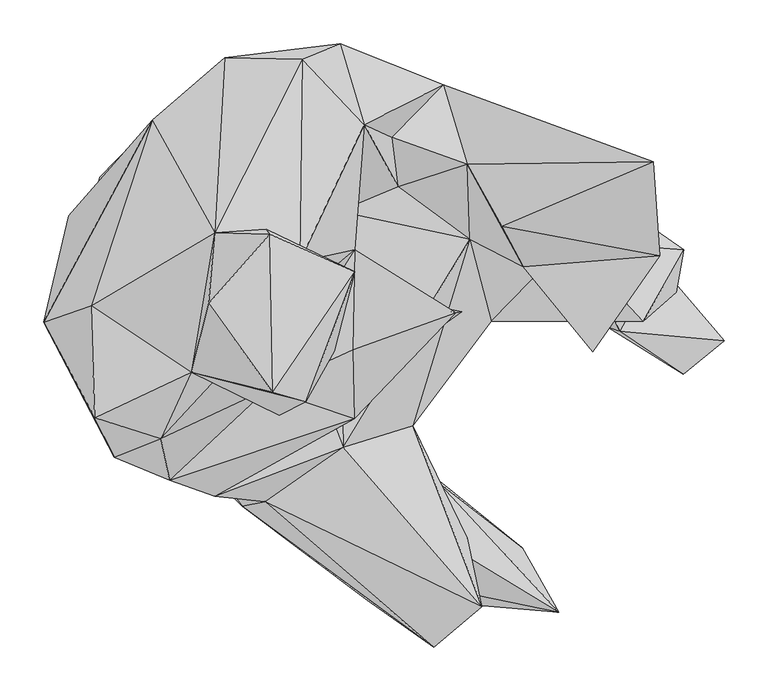
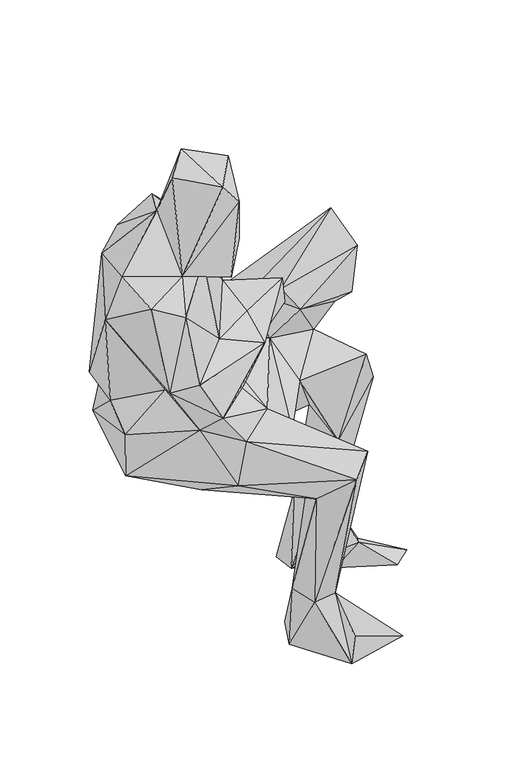
"""IFC4 building model written with IfcOpenShell, lengths in millimetres: geographic element geometry."""

from ifc_helpers import new_model, si_unit, origin, place, context, project, spatial, faceted_brep, source, transform, mapped, element, save


def geographic_element_49b83b26(model_context):
    return source(origin(), model_context, "Body", "Brep", [
        faceted_brep([(-250.9079843, 142.1969962, 545.6229977), (-275.5689885, -49.0569988, 488.5359942), (-277.956989, -52.3529978, 604.1729972), (-144.0049988, -156.8969916, 633.3289664), (-134.3599988, 55.9820004, 444.1240077), (-118.6309964, -119.4419995, 437.1710068), (-165.094001, 210.2839921, 478.4649849), (-87.7209965, -233.7729902, 507.2060165), (-170.986993, 223.9640029, 621.3309688), (-281.5679873, 10.8749996, 663.3480109), (-21.3949994, 255.6869952, 526.6709859), (66.8900005, 69.383002, 414.8420044), (-35.7870008, 229.4059963, 466.7479934), (-285.9579885, 98.667002, 690.8019696), (-190.6269914, 207.4279909, 919.5099955), (-95.843001, 235.8060003, 746.7369941), (24.8000004, 215.4120031, 592.2889636), (190.8780015, 168.7670031, 509.8490056), (261.9229821, 47.8640007, 438.2210022), (53.5369993, -19.3300003, 472.1099974), (81.0689991, -248.6859976, 431.9689816), (107.070996, -141.3699967, 540.4779844), (196.5339905, -22.3219988, 569.5779849), (54.7929995, -341.0319942, 485.9830081), (65.9219987, -214.1659978, 157.3699991), (83.878002, -283.6239899, 154.6049993), (130.8709963, -394.4909822, 543.9209871), (-61.7359981, -228.4529926, 616.8219967), (186.0039956, -348.3319836, 576.5479732), (142.988993, -275.0610079, 154.8130046), (53.2209978, -222.6109924, 11.7269995), (147.2319942, -343.4529858, -1.3239999), (79.185999, -157.1580003, 25.2669991), (162.9369984, -331.9399912, 62.116), (232.4389936, -280.9889878, 4.1399998), (273.7579908, -354.5750038, 37.7620007), (137.2029913, -206.9279973, 124.5399996), (169.1440025, -269.9640062, 478.419), (27.7629994, -166.1259958, 637.8689926), (171.9769963, 71.8059978, 638.78601), (-119.0529973, -221.9649973, 697.9510102), (1.192, -98.2640001, 663.9419712), (22.5329992, 103.5320001, 688.3309995), (-234.1819973, -177.33, 779.5910143), (-170.7590052, -203.6479984, 796.5149781), (39.9570013, -133.456005, 796.6579696), (-193.209005, -85.8900015, 719.7739989), (-314.6460017, -23.4409996, 917.9720169), (-256.1069993, -132.4730052, 993.2919618), (-260.3979973, -4.1939998, 1007.312047), (-119.3829984, 79.1930025, 1090.1839598), (-107.7470021, 279.1089977, 925.6219749), (-145.9719968, -80.6879987, 1014.9979466), (-180.6630023, -156.5389912, 958.3510042), (-59.5999986, -99.8999986, 823.37897), (-56.9339984, -22.6589997, 990.871), (40.7520006, 59.3379989, 853.3539667), (38.3410002, -54.8290007, 838.2549778), (17.5810007, -56.5650009, 1048.249947), (-22.035999, 45.8259987, 1019.6230286), (-45.4789991, -129.3510034, 1005.8489914), (40.8489997, 34.4269979, 1213.4289592), (-14.9589999, -114.1910017, 1195.2769609), (-52.8949977, -103.3520015, 1241.9109191), (-60.3099979, 82.7760016, 1105.733977), (-56.5260008, 77.3069998, 1240.6890239), (-126.1979922, -1.725, 1233.0900278), (-19.107999, 277.5270011, 981.2999842), (24.2110004, 294.9160003, 709.5760019), (51.8649996, 202.4749939, 931.0229902), (90.2239967, 131.7999943, 675.4130042), (142.0010013, 248.2899993, 682.9500114), (83.2779993, 187.9139966, 723.7650067), (253.5519867, 146.455003, 639.6009843), (326.4780004, 122.2039968, 524.0870053), (295.3709923, 113.2279993, 344.0090077), (230.4329993, 62.6789994, 201.0659998), (310.1800046, 0.4, 349.4619982), (416.9749864, 59.4099976, 503.6230025), (285.995003, 69.4809994, 625.8519811), (288.7949908, 82.9500024, 125.0729992), (204.6200012, 98.343997, 6.312), (197.4379992, 18.9639998, 25.5369988), (386.3950026, 45.1579982, 25.5709995), (317.5629934, 22.7860005, 150.6150048), (370.3849866, -21.87, 582.2679925), (408.3090076, 11.307, 485.8680009), (343.5119944, -33.5879992, 77.538996), (296.8400084, -8.4680001, 7.747), (463.039005, -44.3780007, 22.376999), (415.969009, -82.558996, 20.3469989), (330.4389972, 52.2209995, 698.1499705), (233.0699981, 40.1839981, 717.6790149), (169.2170033, 157.0660005, 718.5699851), (382.0700002, 159.9860023, 873.3389866), (208.6809997, 86.7070023, 753.5979655), (281.4840044, 151.8449914, 777.4439954), (389.4279849, 52.7009995, 831.7530052), (312.8969929, -56.7109988, 796.4550158), (32.7519994, 15.1690001, 762.9560138), (156.1969946, -12.2929996, 863.6399997), (163.2209996, -11.1689995, 793.3599851), (70.3959978, -77.719002, 781.5589808)], [[[0, 1, 2]], [[2, 1, 3]], [[4, 5, 1]], [[4, 1, 6]], [[1, 0, 6]], [[3, 1, 7]], [[5, 7, 1]], [[8, 0, 9]], [[9, 0, 2]], [[0, 8, 6]], [[8, 10, 6]], [[4, 6, 11]], [[6, 12, 11]], [[6, 10, 12]], [[13, 8, 9]], [[14, 8, 13]], [[14, 15, 8]], [[15, 10, 8]], [[15, 16, 10]], [[10, 17, 12]], [[16, 17, 10]], [[18, 12, 17]], [[18, 11, 12]], [[19, 11, 18]], [[19, 4, 11]], [[20, 19, 21]], [[21, 19, 22]], [[19, 20, 4]], [[22, 19, 18]], [[4, 20, 5]], [[23, 5, 20]], [[5, 23, 7]], [[23, 24, 25]], [[20, 24, 23]], [[7, 23, 26]], [[26, 23, 25]], [[26, 27, 7]], [[27, 3, 7]], [[26, 28, 27]], [[28, 26, 29]], [[29, 26, 25]], [[25, 30, 31]], [[25, 31, 29]], [[25, 24, 30]], [[24, 32, 30]], [[30, 32, 31]], [[29, 31, 33]], [[31, 32, 34]], [[35, 33, 31]], [[35, 31, 34]], [[36, 32, 24]], [[36, 34, 32]], [[36, 35, 34]], [[35, 29, 33]], [[36, 29, 35]], [[20, 36, 24]], [[20, 37, 36]], [[37, 29, 36]], [[21, 37, 20]], [[28, 29, 37]], [[21, 28, 37]], [[38, 21, 39]], [[21, 38, 28]], [[39, 21, 22]], [[38, 27, 28]], [[40, 38, 41]], [[38, 40, 27]], [[41, 38, 42]], [[42, 38, 39]], [[3, 27, 40]], [[40, 43, 3]], [[44, 43, 40]], [[44, 40, 45]], [[45, 40, 41]], [[43, 46, 3]], [[46, 2, 3]], [[46, 47, 9]], [[46, 9, 2]], [[43, 47, 46]], [[47, 14, 13]], [[47, 13, 9]], [[48, 47, 43]], [[47, 49, 14]], [[48, 49, 47]], [[49, 50, 14]], [[51, 15, 14]], [[50, 51, 14]], [[52, 49, 48]], [[52, 50, 49]], [[48, 43, 53]], [[48, 53, 52]], [[53, 43, 44]], [[53, 44, 54]], [[53, 54, 55]], [[52, 53, 55]], [[45, 54, 44]], [[56, 54, 57]], [[45, 57, 54]], [[55, 54, 56]], [[58, 55, 59]], [[60, 55, 58]], [[55, 60, 52]], [[59, 55, 56]], [[61, 62, 58]], [[61, 58, 59]], [[58, 62, 60]], [[62, 52, 60]], [[62, 63, 52]], [[63, 62, 61]], [[61, 59, 64]], [[63, 61, 65]], [[65, 61, 64]], [[66, 52, 63]], [[63, 65, 66]], [[66, 50, 52]], [[66, 65, 50]], [[65, 64, 50]], [[64, 59, 50]], [[67, 51, 50]], [[50, 59, 67]], [[15, 51, 68]], [[51, 67, 68]], [[67, 69, 68]], [[59, 69, 67]], [[69, 59, 56]], [[69, 42, 70]], [[68, 69, 71]], [[72, 71, 69]], [[69, 70, 72]], [[56, 42, 69]], [[68, 16, 15]], [[71, 16, 68]], [[71, 73, 16]], [[16, 73, 17]], [[74, 18, 17]], [[17, 73, 74]], [[18, 75, 76]], [[18, 74, 75]], [[77, 18, 76]], [[77, 22, 18]], [[78, 74, 79]], [[73, 79, 74]], [[74, 78, 75]], [[78, 80, 75]], [[75, 80, 76]], [[76, 81, 82]], [[77, 76, 82]], [[76, 80, 81]], [[80, 83, 81]], [[80, 84, 83]], [[80, 78, 84]], [[85, 86, 78]], [[78, 86, 84]], [[79, 85, 78]], [[87, 83, 84]], [[77, 82, 84]], [[84, 82, 87]], [[86, 77, 84]], [[88, 82, 81]], [[87, 82, 88]], [[83, 88, 81]], [[89, 88, 83]], [[89, 83, 87]], [[87, 88, 90]], [[90, 89, 87]], [[90, 88, 89]], [[86, 85, 77]], [[85, 22, 77]], [[22, 85, 79]], [[79, 39, 22]], [[91, 92, 79]], [[92, 39, 79]], [[91, 79, 73]], [[42, 39, 70]], [[93, 39, 92]], [[93, 70, 39]], [[72, 70, 93]], [[93, 71, 72]], [[93, 94, 71]], [[92, 95, 93]], [[95, 94, 93]], [[96, 73, 71]], [[94, 96, 71]], [[94, 95, 97]], [[94, 97, 96]], [[92, 97, 95]], [[96, 97, 73]], [[97, 92, 98]], [[73, 97, 91]], [[97, 98, 91]], [[91, 98, 92]], [[56, 99, 42]], [[99, 41, 42]], [[100, 99, 56]], [[99, 101, 102]], [[99, 102, 41]], [[99, 100, 101]], [[57, 100, 56]], [[45, 102, 100]], [[57, 45, 100]], [[100, 102, 101]], [[45, 41, 102]]]),
    ])


if __name__ == "__main__":
    model = new_model("IFC4")
    model_context = context("Model", 3, world=origin())
    ifc_project = project(units=[si_unit("LENGTHUNIT", "METRE", prefix="MILLI")], contexts=[model_context])
    site = spatial("IfcSite", under=ifc_project)
    building = spatial("IfcBuilding", under=site)
    placement = place(None, origin())
    geographic_element_shape = geographic_element_49b83b26(model_context)
    element("IfcGeographicElement", 1, at=placement, inside=building, context=model_context, shape_type="MappedRepresentation", body=[
        mapped(geographic_element_shape, transform((0.0, 0.0, 0.0), x_axis=(1.0, 0.0, 0.0), y_axis=(0.0, 1.0, 0.0), z_axis=(0.0, 0.0, 1.0))),
    ])
    save(model, "model.ifc")
